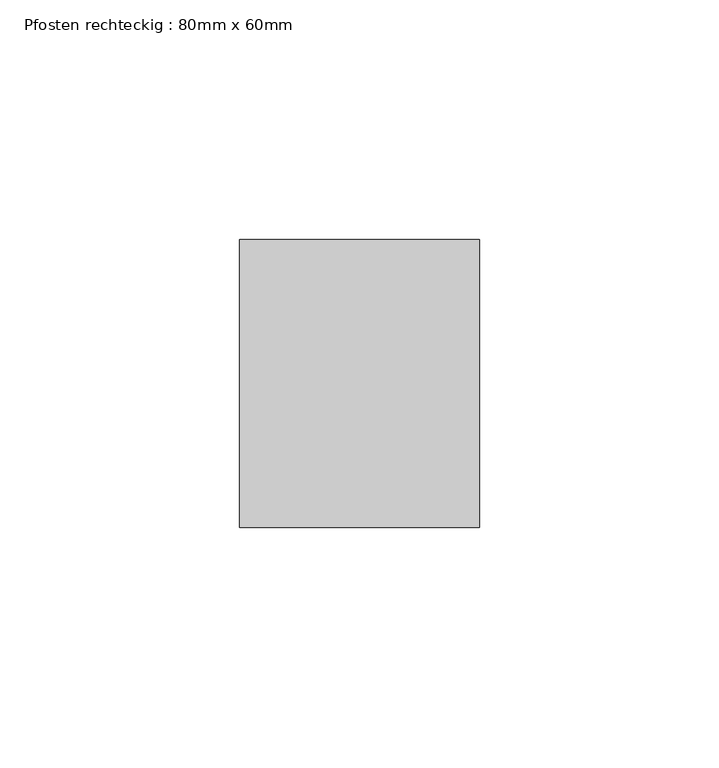
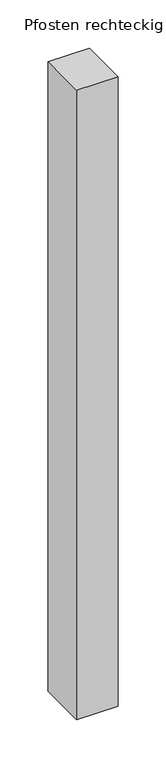
"""IFC4 building model written with IfcOpenShell, lengths in millimetres: member geometry, Pfosten rechteckig : 80mm x 60mm."""

from ifc_helpers import new_model, si_unit, frame, origin, place, context, project, spatial, polyline, outline, extrude, source, transform, mapped, element, save


def pfosten_rechteckig_80mm_x_60mm_b2133fee(model_context):
    return source(origin(), model_context, "Body", "SweptSolid", [
        extrude(outline(polyline([(0.0, 30.0), (0.0, -30.0), (-50.0, -30.0), (-50.0, 30.0), (0.0, 30.0)])), frame((0.0, 0.0, -800.0), z_axis=(0.0, 0.0, 1.0), x_axis=(1.0, 0.0, 0.0)), (0.0, 0.0, 1.0), 800.0),
    ])


if __name__ == "__main__":
    model = new_model("IFC4")
    model_context = context("Model", 3, world=origin())
    ifc_project = project(units=[si_unit("LENGTHUNIT", "METRE", prefix="MILLI")], contexts=[model_context])
    site = spatial("IfcSite", under=ifc_project)
    building = spatial("IfcBuilding", under=site)
    placement = place(None, origin())
    pfosten_rechteckig_80mm_x_60mm_shape = pfosten_rechteckig_80mm_x_60mm_b2133fee(model_context)
    element("IfcMember", 1, ObjectType="Pfosten rechteckig : 80mm x 60mm", at=placement, inside=building, context=model_context, shape_type="MappedRepresentation", body=[
        mapped(pfosten_rechteckig_80mm_x_60mm_shape, transform((0.0, 0.0, 0.0), x_axis=(1.0, 0.0, 0.0), y_axis=(0.0, 1.0, 0.0), z_axis=(0.0, 0.0, 1.0))),
    ])
    save(model, "model.ifc")
